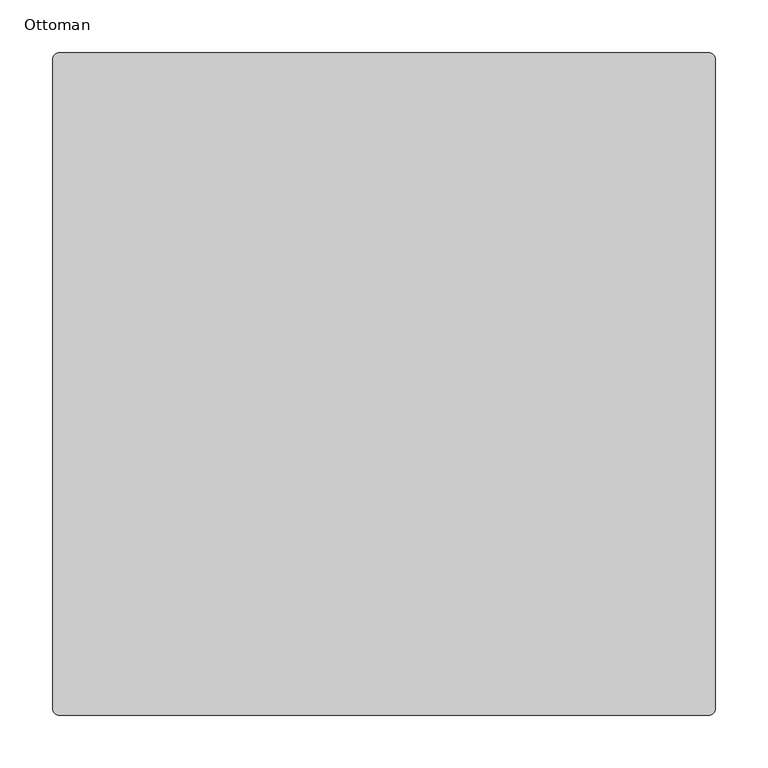
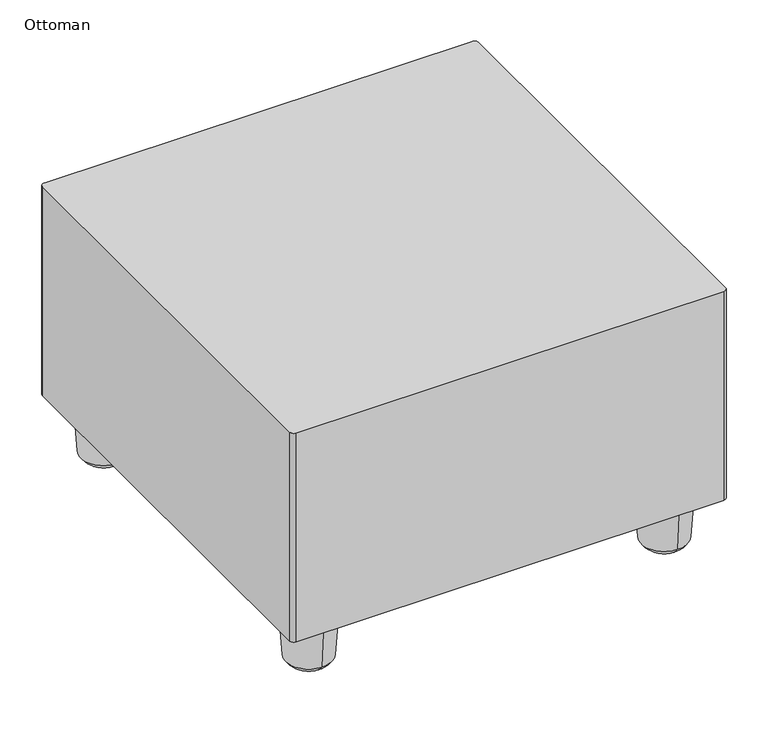
"""IFC4 building model written with IfcOpenShell, lengths in millimetres: furniture geometry, Ottoman."""

from ifc_helpers import new_model, si_unit, point, frame, frame_2d, origin, place, context, project, spatial, polyline, circle_curve, ellipse_curve, trimmed, segment, composite_curve, outline, extrude, source, transform, mapped, element, save
from ifc_brep_helpers import plane_surface, revolved_surface, advanced_brep


def ottoman_8451ae7f(model_context):
    return source(origin(), model_context, "Body", "SolidModel", [
        extrude(outline(composite_curve([segment(trimmed(circle_curve(frame_2d((307.9114864, 307.9114864)), 6.35), [point((307.9114864, 314.2614864))], [point((314.2614864, 307.9114864))], False, "CARTESIAN"), True, "CONTINUOUS"), segment(polyline([(314.2614864, 307.9114864), (314.2614864, -307.9115228)]), True, "CONTINUOUS"), segment(trimmed(circle_curve(frame_2d((307.9114864, -307.9115228)), 6.35), [point((314.2614864, -307.9115228))], [point((307.9114864, -314.2615228))], False, "CARTESIAN"), True, "CONTINUOUS"), segment(polyline([(307.9114864, -314.2615228), (-307.9115228, -314.2615228)]), True, "CONTINUOUS"), segment(trimmed(circle_curve(frame_2d((-307.9115228, -307.9115228)), 6.35), [point((-307.9115228, -314.2615228))], [point((-314.2615228, -307.9115228))], False, "CARTESIAN"), True, "CONTINUOUS"), segment(polyline([(-314.2615228, -307.9115228), (-314.2615228, 307.9114864)]), True, "CONTINUOUS"), segment(trimmed(circle_curve(frame_2d((-307.9115228, 307.9114864)), 6.35), [point((-314.2615228, 307.9114864))], [point((-307.9115228, 314.2614864))], False, "CARTESIAN"), True, "CONTINUOUS"), segment(polyline([(-307.9115228, 314.2614864), (307.9114864, 314.2614864)]), True, "CONTINUOUS")], self_intersect=False)), frame((0.0, 0.0, 90.4240046), z_axis=(0.0, 0.0, 1.0), x_axis=(1.0, 0.0, 0.0)), (0.0, 0.0, 1.0), 318.5160051),
        advanced_brep(
        [(-255.3853971, 290.6804747, 16.9889191), (-255.3853971, 224.5374995, 16.9889191), (-255.3853971, 219.5089871, 88.899997), (-255.3853971, 295.7089871, 88.899997), (-255.3853971, 257.6089871, 0.0), (-255.3853971, 257.6089871, 88.899997)],
        [
            (0, 1, circle_curve(frame((-255.3853971, 257.6089871, 16.9889191), z_axis=(0.0, 0.0, 1.0), x_axis=(0.0, -1.0, 0.0)), 33.0714876)),
            (1, 2),
            (2, 3, circle_curve(frame((-255.3853971, 257.6089871, 88.899997), z_axis=(0.0, 0.0, -1.0), x_axis=(0.0, -1.0, 0.0)), 38.1)),
            (3, 0),
            (1, 0, circle_curve(frame((-255.3853971, 257.6089871, 16.9889191), z_axis=(0.0, 0.0, 1.0), x_axis=(0.0, -1.0, 0.0)), 33.0714876)),
            (3, 2, circle_curve(frame((-255.3853971, 257.6089871, 88.899997), z_axis=(0.0, 0.0, -1.0), x_axis=(0.0, -1.0, 0.0)), 38.1)),
            (4, 1, circle_curve(frame((-255.3853971, 255.6717107, 36.9125731), z_axis=(-1.0, 0.0, 0.0), x_axis=(0.0, -1.0, 0.0)), 36.963375)),
            (0, 4, circle_curve(frame((-255.3853971, 259.5462635, 36.9125731), z_axis=(-1.0, 0.0, 0.0), x_axis=(0.0, 1.0, 0.0)), 36.963375)),
            (2, 5),
            (5, 3),
        ],
        [
            revolved_surface(polyline([(-255.3853971, 219.5089871, 88.899997), (-255.3853971, 224.5374995, 16.9889191)]), (-255.3853971, 257.6089871, 31.75), (0.0, 0.0, -1.0)),
            revolved_surface(trimmed(ellipse_curve(frame((-255.3853971, 255.6717107, 36.9125731), z_axis=(1.0, 0.0, 0.0), x_axis=(0.0, -1.0, 0.0)), 36.963375, 36.963375), [point((-255.3853971, 224.5374995, 16.9889191))], [point((-255.3853971, 257.6089871, 0.0))], True, "CARTESIAN"), (-255.3853971, 257.6089871, 31.75), (0.0, 0.0, -1.0)),
            plane_surface(frame((-255.3853971, 257.6089871, 88.899997), z_axis=(0.0, 0.0, 1.0), x_axis=(0.0, -1.0, 0.0))),
        ],
        [
            (0, [[1, 2, 3, 4]]),
            (0, [[5, -4, 6, -2]]),
            (1, [[7, -1, 8]]),
            (1, [[-8, -5, -7]]),
            (2, [[-3, 9, 10]]),
            (2, [[-6, -10, -9]]),
        ],
    ),
        advanced_brep(
        [(-255.3853971, -221.369951, 16.9889191), (-255.3853971, -287.5129262, 16.9889191), (-255.3853971, -292.5414386, 88.899997), (-255.3853971, -216.3414386, 88.899997), (-255.3853971, -254.4414386, 0.0), (-255.3853971, -254.4414386, 88.899997)],
        [
            (0, 1, circle_curve(frame((-255.3853971, -254.4414386, 16.9889191), z_axis=(0.0, 0.0, 1.0), x_axis=(0.0, -1.0, 0.0)), 33.0714876)),
            (1, 2),
            (2, 3, circle_curve(frame((-255.3853971, -254.4414386, 88.899997), z_axis=(0.0, 0.0, -1.0), x_axis=(0.0, -1.0, 0.0)), 38.1)),
            (3, 0),
            (1, 0, circle_curve(frame((-255.3853971, -254.4414386, 16.9889191), z_axis=(0.0, 0.0, 1.0), x_axis=(0.0, -1.0, 0.0)), 33.0714876)),
            (3, 2, circle_curve(frame((-255.3853971, -254.4414386, 88.899997), z_axis=(0.0, 0.0, -1.0), x_axis=(0.0, -1.0, 0.0)), 38.1)),
            (4, 1, circle_curve(frame((-255.3853971, -256.378715, 36.9125731), z_axis=(-1.0, 0.0, 0.0), x_axis=(0.0, -1.0, 0.0)), 36.963375)),
            (0, 4, circle_curve(frame((-255.3853971, -252.5041622, 36.9125731), z_axis=(-1.0, 0.0, 0.0), x_axis=(0.0, 1.0, 0.0)), 36.963375)),
            (2, 5),
            (5, 3),
        ],
        [
            revolved_surface(polyline([(-255.3853971, -292.5414386, 88.899997), (-255.3853971, -287.5129262, 16.9889191)]), (-255.3853971, -254.4414386, 31.75), (0.0, 0.0, -1.0)),
            revolved_surface(trimmed(ellipse_curve(frame((-255.3853971, -256.378715, 36.9125731), z_axis=(1.0, 0.0, 0.0), x_axis=(0.0, -1.0, 0.0)), 36.963375, 36.963375), [point((-255.3853971, -287.5129262, 16.9889191))], [point((-255.3853971, -254.4414386, 0.0))], True, "CARTESIAN"), (-255.3853971, -254.4414386, 31.75), (0.0, 0.0, -1.0)),
            plane_surface(frame((-255.3853971, -254.4414386, 88.899997), z_axis=(0.0, 0.0, 1.0), x_axis=(0.0, -1.0, 0.0))),
        ],
        [
            (0, [[1, 2, 3, 4]]),
            (0, [[5, -4, 6, -2]]),
            (1, [[7, -1, 8]]),
            (1, [[-8, -5, -7]]),
            (2, [[-3, 9, 10]]),
            (2, [[-6, -10, -9]]),
        ],
    ),
        advanced_brep(
        [(256.9513355, 290.6804747, 16.9889191), (256.9513355, 224.5374995, 16.9889191), (256.9513355, 219.5089871, 88.899997), (256.9513355, 295.7089871, 88.899997), (256.9513355, 257.6089871, 0.0), (256.9513355, 257.6089871, 88.899997)],
        [
            (0, 1, circle_curve(frame((256.9513355, 257.6089871, 16.9889191), z_axis=(0.0, 0.0, 1.0), x_axis=(0.0, -1.0, 0.0)), 33.0714876)),
            (1, 2),
            (2, 3, circle_curve(frame((256.9513355, 257.6089871, 88.899997), z_axis=(0.0, 0.0, -1.0), x_axis=(0.0, -1.0, 0.0)), 38.1)),
            (3, 0),
            (1, 0, circle_curve(frame((256.9513355, 257.6089871, 16.9889191), z_axis=(0.0, 0.0, 1.0), x_axis=(0.0, -1.0, 0.0)), 33.0714876)),
            (3, 2, circle_curve(frame((256.9513355, 257.6089871, 88.899997), z_axis=(0.0, 0.0, -1.0), x_axis=(0.0, -1.0, 0.0)), 38.1)),
            (4, 1, circle_curve(frame((256.9513355, 255.6717107, 36.9125731), z_axis=(-1.0, 0.0, 0.0), x_axis=(0.0, -1.0, 0.0)), 36.963375)),
            (0, 4, circle_curve(frame((256.9513355, 259.5462635, 36.9125731), z_axis=(-1.0, 0.0, 0.0), x_axis=(0.0, 1.0, 0.0)), 36.963375)),
            (2, 5),
            (5, 3),
        ],
        [
            revolved_surface(polyline([(256.9513355, 219.5089871, 88.899997), (256.9513355, 224.5374995, 16.9889191)]), (256.9513355, 257.6089871, 31.75), (0.0, 0.0, -1.0)),
            revolved_surface(trimmed(ellipse_curve(frame((256.9513355, 255.6717107, 36.9125731), z_axis=(1.0, 0.0, 0.0), x_axis=(0.0, -1.0, 0.0)), 36.963375, 36.963375), [point((256.9513355, 224.5374995, 16.9889191))], [point((256.9513355, 257.6089871, 0.0))], True, "CARTESIAN"), (256.9513355, 257.6089871, 31.75), (0.0, 0.0, -1.0)),
            plane_surface(frame((256.9513355, 257.6089871, 88.899997), z_axis=(0.0, 0.0, 1.0), x_axis=(0.0, -1.0, 0.0))),
        ],
        [
            (0, [[1, 2, 3, 4]]),
            (0, [[5, -4, 6, -2]]),
            (1, [[7, -1, 8]]),
            (1, [[-8, -5, -7]]),
            (2, [[-3, 9, 10]]),
            (2, [[-6, -10, -9]]),
        ],
    ),
        advanced_brep(
        [(256.9513355, -221.369951, 16.9889191), (256.9513355, -287.5129262, 16.9889191), (256.9513355, -292.5414386, 88.899997), (256.9513355, -216.3414386, 88.899997), (256.9513355, -254.4414386, 0.0), (256.9513355, -254.4414386, 88.899997)],
        [
            (0, 1, circle_curve(frame((256.9513355, -254.4414386, 16.9889191), z_axis=(0.0, 0.0, 1.0), x_axis=(0.0, -1.0, 0.0)), 33.0714876)),
            (1, 2),
            (2, 3, circle_curve(frame((256.9513355, -254.4414386, 88.899997), z_axis=(0.0, 0.0, -1.0), x_axis=(0.0, -1.0, 0.0)), 38.1)),
            (3, 0),
            (1, 0, circle_curve(frame((256.9513355, -254.4414386, 16.9889191), z_axis=(0.0, 0.0, 1.0), x_axis=(0.0, -1.0, 0.0)), 33.0714876)),
            (3, 2, circle_curve(frame((256.9513355, -254.4414386, 88.899997), z_axis=(0.0, 0.0, -1.0), x_axis=(0.0, -1.0, 0.0)), 38.1)),
            (4, 1, circle_curve(frame((256.9513355, -256.378715, 36.9125731), z_axis=(-1.0, 0.0, 0.0), x_axis=(0.0, -1.0, 0.0)), 36.963375)),
            (0, 4, circle_curve(frame((256.9513355, -252.5041622, 36.9125731), z_axis=(-1.0, 0.0, 0.0), x_axis=(0.0, 1.0, 0.0)), 36.963375)),
            (2, 5),
            (5, 3),
        ],
        [
            revolved_surface(polyline([(256.9513355, -292.5414386, 88.899997), (256.9513355, -287.5129262, 16.9889191)]), (256.9513355, -254.4414386, 31.75), (0.0, 0.0, -1.0)),
            revolved_surface(trimmed(ellipse_curve(frame((256.9513355, -256.378715, 36.9125731), z_axis=(1.0, 0.0, 0.0), x_axis=(0.0, -1.0, 0.0)), 36.963375, 36.963375), [point((256.9513355, -287.5129262, 16.9889191))], [point((256.9513355, -254.4414386, 0.0))], True, "CARTESIAN"), (256.9513355, -254.4414386, 31.75), (0.0, 0.0, -1.0)),
            plane_surface(frame((256.9513355, -254.4414386, 88.899997), z_axis=(0.0, 0.0, 1.0), x_axis=(0.0, -1.0, 0.0))),
        ],
        [
            (0, [[1, 2, 3, 4]]),
            (0, [[5, -4, 6, -2]]),
            (1, [[7, -1, 8]]),
            (1, [[-8, -5, -7]]),
            (2, [[-3, 9, 10]]),
            (2, [[-6, -10, -9]]),
        ],
    ),
    ])


if __name__ == "__main__":
    model = new_model("IFC4")
    model_context = context("Model", 3, world=origin())
    ifc_project = project(units=[si_unit("LENGTHUNIT", "METRE", prefix="MILLI")], contexts=[model_context])
    site = spatial("IfcSite", under=ifc_project)
    building = spatial("IfcBuilding", under=site)
    placement = place(None, origin())
    ottoman_shape = ottoman_8451ae7f(model_context)
    element("IfcFurniture", 1, ObjectType="Ottoman", at=placement, inside=building, context=model_context, shape_type="MappedRepresentation", body=[
        mapped(ottoman_shape, transform((0.0, 0.0, 0.0), x_axis=(1.0, 0.0, 0.0), y_axis=(0.0, 1.0, 0.0), z_axis=(0.0, 0.0, 1.0))),
    ])
    save(model, "model.ifc")
